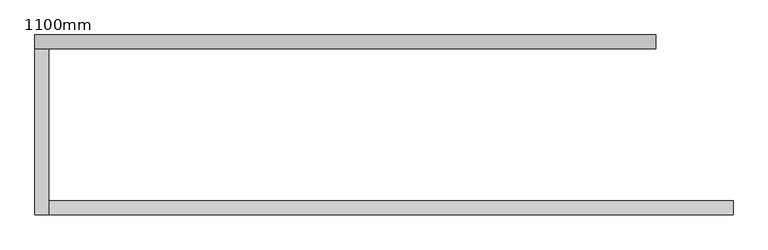
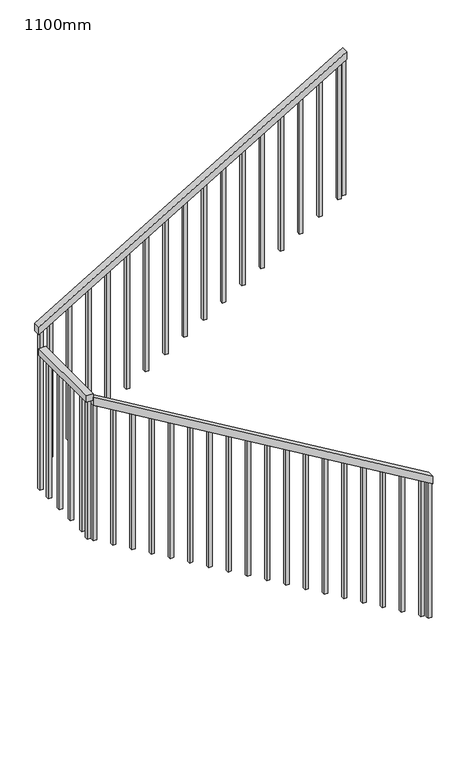
"""IFC4 building model written with IfcOpenShell, lengths in millimetres: railing geometry, 1100mm."""

from ifc_helpers import new_model, si_unit, frame, origin, place, context, project, spatial, polyline, outline, extrude, source, transform, mapped, element, save


def railing_1100mm_ea9eba7c(model_context):
    return source(origin(), model_context, "Body", "SweptSolid", [
        extrude(outline(polyline([(8208.4792885, 2457.6359883), (8266.6666667, 2457.6359883), (9736.9047619, -12.3640117), (9678.7173838, -12.3640117), (8208.4792885, 2457.6359883)])), frame((0.0, 32334.0312544, 0.0), z_axis=(0.0, 1.0, 0.0), x_axis=(0.0, 0.0, 1.0)), (0.0, 0.0, 1.0), 50.0),
        extrude(outline(polyline([(-12.3640117, 32334.0312544), (-62.3640117, 32334.0312544), (-62.3640117, 32932.429968), (-12.3640117, 32932.429968), (-12.3640117, 32334.0312544)])), frame((0.0, 0.0, 9716.6666667), z_axis=(0.0, 0.0, 1.0), x_axis=(1.0, 0.0, 0.0)), (0.0, 0.0, 1.0), 50.0),
        extrude(outline(polyline([(9933.3333333, -62.3640117), (9875.1459552, -62.3640117), (11208.4792885, 2177.6359883), (11266.6666667, 2177.6359883), (9933.3333333, -62.3640117)])), frame((0.0, 32932.429968, 0.0), z_axis=(0.0, 1.0, 0.0), x_axis=(0.0, 0.0, 1.0)), (0.0, 0.0, 1.0), 50.0),
        extrude(outline(polyline([(11174.253098, 2120.1359883), (10139.8809524, 2120.1359883), (10139.8809524, 2145.1359883), (11189.1340504, 2145.1359883), (11174.253098, 2120.1359883)])), frame((0.0, 32944.929968, 0.0), z_axis=(0.0, 1.0, 0.0), x_axis=(0.0, 0.0, 1.0)), (0.0, 0.0, 1.0), 25.0),
        extrude(outline(polyline([(11090.9197647, 1980.1359883), (10056.547619, 1980.1359883), (10056.547619, 2005.1359883), (11105.8007171, 2005.1359883), (11090.9197647, 1980.1359883)])), frame((0.0, 32944.929968, 0.0), z_axis=(0.0, 1.0, 0.0), x_axis=(0.0, 0.0, 1.0)), (0.0, 0.0, 1.0), 25.0),
        extrude(outline(polyline([(11007.5864314, 1840.1359883), (9973.2142857, 1840.1359883), (9973.2142857, 1865.1359883), (11022.4673838, 1865.1359883), (11007.5864314, 1840.1359883)])), frame((0.0, 32944.929968, 0.0), z_axis=(0.0, 1.0, 0.0), x_axis=(0.0, 0.0, 1.0)), (0.0, 0.0, 1.0), 25.0),
        extrude(outline(polyline([(10924.253098, 1700.1359883), (9889.8809524, 1700.1359883), (9889.8809524, 1725.1359883), (10939.1340504, 1725.1359883), (10924.253098, 1700.1359883)])), frame((0.0, 32944.929968, 0.0), z_axis=(0.0, 1.0, 0.0), x_axis=(0.0, 0.0, 1.0)), (0.0, 0.0, 1.0), 25.0),
        extrude(outline(polyline([(10840.9197647, 1560.1359883), (9806.547619, 1560.1359883), (9806.547619, 1585.1359883), (10855.8007171, 1585.1359883), (10840.9197647, 1560.1359883)])), frame((0.0, 32944.929968, 0.0), z_axis=(0.0, 1.0, 0.0), x_axis=(0.0, 0.0, 1.0)), (0.0, 0.0, 1.0), 25.0),
        extrude(outline(polyline([(10757.5864314, 1420.1359883), (9723.2142857, 1420.1359883), (9723.2142857, 1445.1359883), (10772.4673838, 1445.1359883), (10757.5864314, 1420.1359883)])), frame((0.0, 32944.929968, 0.0), z_axis=(0.0, 1.0, 0.0), x_axis=(0.0, 0.0, 1.0)), (0.0, 0.0, 1.0), 25.0),
        extrude(outline(polyline([(10674.253098, 1280.1359883), (9639.8809524, 1280.1359883), (9639.8809524, 1305.1359883), (10689.1340504, 1305.1359883), (10674.253098, 1280.1359883)])), frame((0.0, 32944.929968, 0.0), z_axis=(0.0, 1.0, 0.0), x_axis=(0.0, 0.0, 1.0)), (0.0, 0.0, 1.0), 25.0),
        extrude(outline(polyline([(10590.9197647, 1140.1359883), (9556.547619, 1140.1359883), (9556.547619, 1165.1359883), (10605.8007171, 1165.1359883), (10590.9197647, 1140.1359883)])), frame((0.0, 32944.929968, 0.0), z_axis=(0.0, 1.0, 0.0), x_axis=(0.0, 0.0, 1.0)), (0.0, 0.0, 1.0), 25.0),
        extrude(outline(polyline([(10507.5864314, 1000.1359883), (9473.2142857, 1000.1359883), (9473.2142857, 1025.1359883), (10522.4673838, 1025.1359883), (10507.5864314, 1000.1359883)])), frame((0.0, 32944.929968, 0.0), z_axis=(0.0, 1.0, 0.0), x_axis=(0.0, 0.0, 1.0)), (0.0, 0.0, 1.0), 25.0),
        extrude(outline(polyline([(10424.253098, 860.1359883), (9389.8809524, 860.1359883), (9389.8809524, 885.1359883), (10439.1340504, 885.1359883), (10424.253098, 860.1359883)])), frame((0.0, 32944.929968, 0.0), z_axis=(0.0, 1.0, 0.0), x_axis=(0.0, 0.0, 1.0)), (0.0, 0.0, 1.0), 25.0),
        extrude(outline(polyline([(10340.9197647, 720.1359883), (9306.547619, 720.1359883), (9306.547619, 745.1359883), (10355.8007171, 745.1359883), (10340.9197647, 720.1359883)])), frame((0.0, 32944.929968, 0.0), z_axis=(0.0, 1.0, 0.0), x_axis=(0.0, 0.0, 1.0)), (0.0, 0.0, 1.0), 25.0),
        extrude(outline(polyline([(10257.5864314, 580.1359883), (9223.2142857, 580.1359883), (9223.2142857, 605.1359883), (10272.4673838, 605.1359883), (10257.5864314, 580.1359883)])), frame((0.0, 32944.929968, 0.0), z_axis=(0.0, 1.0, 0.0), x_axis=(0.0, 0.0, 1.0)), (0.0, 0.0, 1.0), 25.0),
        extrude(outline(polyline([(10174.253098, 440.1359883), (9139.8809524, 440.1359883), (9139.8809524, 465.1359883), (10189.1340504, 465.1359883), (10174.253098, 440.1359883)])), frame((0.0, 32944.929968, 0.0), z_axis=(0.0, 1.0, 0.0), x_axis=(0.0, 0.0, 1.0)), (0.0, 0.0, 1.0), 25.0),
        extrude(outline(polyline([(10090.9197647, 300.1359883), (9056.547619, 300.1359883), (9056.547619, 325.1359883), (10105.8007171, 325.1359883), (10090.9197647, 300.1359883)])), frame((0.0, 32944.929968, 0.0), z_axis=(0.0, 1.0, 0.0), x_axis=(0.0, 0.0, 1.0)), (0.0, 0.0, 1.0), 25.0),
        extrude(outline(polyline([(10007.5864314, 160.1359883), (8973.2142857, 160.1359883), (8973.2142857, 185.1359883), (10022.4673838, 185.1359883), (10007.5864314, 160.1359883)])), frame((0.0, 32944.929968, 0.0), z_axis=(0.0, 1.0, 0.0), x_axis=(0.0, 0.0, 1.0)), (0.0, 0.0, 1.0), 25.0),
        extrude(outline(polyline([(9924.253098, 20.1359883), (8889.8809524, 20.1359883), (8889.8809524, 45.1359883), (9939.1340504, 45.1359883), (9924.253098, 20.1359883)])), frame((0.0, 32944.929968, 0.0), z_axis=(0.0, 1.0, 0.0), x_axis=(0.0, 0.0, 1.0)), (0.0, 0.0, 1.0), 25.0),
        extrude(outline(polyline([(-24.8640117, 32836.5312544), (-49.8640117, 32836.5312544), (-49.8640117, 32861.5312544), (-24.8640117, 32861.5312544), (-24.8640117, 32836.5312544)])), frame((0.0, 0.0, 8666.6666667), z_axis=(0.0, 0.0, 1.0), x_axis=(1.0, 0.0, 0.0)), (0.0, 0.0, 1.0), 1050.0),
        extrude(outline(polyline([(-24.8640117, 32696.5312544), (-49.8640117, 32696.5312544), (-49.8640117, 32721.5312544), (-24.8640117, 32721.5312544), (-24.8640117, 32696.5312544)])), frame((0.0, 0.0, 8666.6666667), z_axis=(0.0, 0.0, 1.0), x_axis=(1.0, 0.0, 0.0)), (0.0, 0.0, 1.0), 1050.0),
        extrude(outline(polyline([(-24.8640117, 32556.5312544), (-49.8640117, 32556.5312544), (-49.8640117, 32581.5312544), (-24.8640117, 32581.5312544), (-24.8640117, 32556.5312544)])), frame((0.0, 0.0, 8666.6666667), z_axis=(0.0, 0.0, 1.0), x_axis=(1.0, 0.0, 0.0)), (0.0, 0.0, 1.0), 1050.0),
        extrude(outline(polyline([(-24.8640117, 32416.5312544), (-49.8640117, 32416.5312544), (-49.8640117, 32441.5312544), (-24.8640117, 32441.5312544), (-24.8640117, 32416.5312544)])), frame((0.0, 0.0, 8666.6666667), z_axis=(0.0, 0.0, 1.0), x_axis=(1.0, 0.0, 0.0)), (0.0, 0.0, 1.0), 1050.0),
        extrude(outline(polyline([(8625.0, 20.1359883), (9659.3721457, 20.1359883), (9674.253098, -4.8640117), (8625.0, -4.8640117), (8625.0, 20.1359883)])), frame((0.0, 32346.5312544, 0.0), z_axis=(0.0, 1.0, 0.0), x_axis=(0.0, 0.0, 1.0)), (0.0, 0.0, 1.0), 25.0),
        extrude(outline(polyline([(8541.6666667, 160.1359883), (9576.0388123, 160.1359883), (9590.9197647, 135.1359883), (8541.6666667, 135.1359883), (8541.6666667, 160.1359883)])), frame((0.0, 32346.5312544, 0.0), z_axis=(0.0, 1.0, 0.0), x_axis=(0.0, 0.0, 1.0)), (0.0, 0.0, 1.0), 25.0),
        extrude(outline(polyline([(8458.3333333, 300.1359883), (9492.705479, 300.1359883), (9507.5864314, 275.1359883), (8458.3333333, 275.1359883), (8458.3333333, 300.1359883)])), frame((0.0, 32346.5312544, 0.0), z_axis=(0.0, 1.0, 0.0), x_axis=(0.0, 0.0, 1.0)), (0.0, 0.0, 1.0), 25.0),
        extrude(outline(polyline([(8375.0, 440.1359883), (9409.3721457, 440.1359883), (9424.253098, 415.1359883), (8375.0, 415.1359883), (8375.0, 440.1359883)])), frame((0.0, 32346.5312544, 0.0), z_axis=(0.0, 1.0, 0.0), x_axis=(0.0, 0.0, 1.0)), (0.0, 0.0, 1.0), 25.0),
        extrude(outline(polyline([(8291.6666667, 580.1359883), (9326.0388123, 580.1359883), (9340.9197647, 555.1359883), (8291.6666667, 555.1359883), (8291.6666667, 580.1359883)])), frame((0.0, 32346.5312544, 0.0), z_axis=(0.0, 1.0, 0.0), x_axis=(0.0, 0.0, 1.0)), (0.0, 0.0, 1.0), 25.0),
        extrude(outline(polyline([(8208.3333333, 720.1359883), (9242.705479, 720.1359883), (9257.5864314, 695.1359883), (8208.3333333, 695.1359883), (8208.3333333, 720.1359883)])), frame((0.0, 32346.5312544, 0.0), z_axis=(0.0, 1.0, 0.0), x_axis=(0.0, 0.0, 1.0)), (0.0, 0.0, 1.0), 25.0),
        extrude(outline(polyline([(8125.0, 860.1359883), (9159.3721457, 860.1359883), (9174.253098, 835.1359883), (8125.0, 835.1359883), (8125.0, 860.1359883)])), frame((0.0, 32346.5312544, 0.0), z_axis=(0.0, 1.0, 0.0), x_axis=(0.0, 0.0, 1.0)), (0.0, 0.0, 1.0), 25.0),
        extrude(outline(polyline([(8041.6666667, 1000.1359883), (9076.0388123, 1000.1359883), (9090.9197647, 975.1359883), (8041.6666667, 975.1359883), (8041.6666667, 1000.1359883)])), frame((0.0, 32346.5312544, 0.0), z_axis=(0.0, 1.0, 0.0), x_axis=(0.0, 0.0, 1.0)), (0.0, 0.0, 1.0), 25.0),
        extrude(outline(polyline([(7958.3333333, 1140.1359883), (8992.705479, 1140.1359883), (9007.5864314, 1115.1359883), (7958.3333333, 1115.1359883), (7958.3333333, 1140.1359883)])), frame((0.0, 32346.5312544, 0.0), z_axis=(0.0, 1.0, 0.0), x_axis=(0.0, 0.0, 1.0)), (0.0, 0.0, 1.0), 25.0),
        extrude(outline(polyline([(7875.0, 1280.1359883), (8909.3721457, 1280.1359883), (8924.253098, 1255.1359883), (7875.0, 1255.1359883), (7875.0, 1280.1359883)])), frame((0.0, 32346.5312544, 0.0), z_axis=(0.0, 1.0, 0.0), x_axis=(0.0, 0.0, 1.0)), (0.0, 0.0, 1.0), 25.0),
        extrude(outline(polyline([(7791.6666667, 1420.1359883), (8826.0388123, 1420.1359883), (8840.9197647, 1395.1359883), (7791.6666667, 1395.1359883), (7791.6666667, 1420.1359883)])), frame((0.0, 32346.5312544, 0.0), z_axis=(0.0, 1.0, 0.0), x_axis=(0.0, 0.0, 1.0)), (0.0, 0.0, 1.0), 25.0),
        extrude(outline(polyline([(7708.3333333, 1560.1359883), (8742.705479, 1560.1359883), (8757.5864314, 1535.1359883), (7708.3333333, 1535.1359883), (7708.3333333, 1560.1359883)])), frame((0.0, 32346.5312544, 0.0), z_axis=(0.0, 1.0, 0.0), x_axis=(0.0, 0.0, 1.0)), (0.0, 0.0, 1.0), 25.0),
        extrude(outline(polyline([(7625.0, 1700.1359883), (8659.3721457, 1700.1359883), (8674.253098, 1675.1359883), (7625.0, 1675.1359883), (7625.0, 1700.1359883)])), frame((0.0, 32346.5312544, 0.0), z_axis=(0.0, 1.0, 0.0), x_axis=(0.0, 0.0, 1.0)), (0.0, 0.0, 1.0), 25.0),
        extrude(outline(polyline([(7541.6666667, 1840.1359883), (8576.0388123, 1840.1359883), (8590.9197647, 1815.1359883), (7541.6666667, 1815.1359883), (7541.6666667, 1840.1359883)])), frame((0.0, 32346.5312544, 0.0), z_axis=(0.0, 1.0, 0.0), x_axis=(0.0, 0.0, 1.0)), (0.0, 0.0, 1.0), 25.0),
        extrude(outline(polyline([(7458.3333333, 1980.1359883), (8492.705479, 1980.1359883), (8507.5864314, 1955.1359883), (7458.3333333, 1955.1359883), (7458.3333333, 1980.1359883)])), frame((0.0, 32346.5312544, 0.0), z_axis=(0.0, 1.0, 0.0), x_axis=(0.0, 0.0, 1.0)), (0.0, 0.0, 1.0), 25.0),
        extrude(outline(polyline([(7375.0, 2120.1359883), (8409.3721457, 2120.1359883), (8424.253098, 2095.1359883), (7375.0, 2095.1359883), (7375.0, 2120.1359883)])), frame((0.0, 32346.5312544, 0.0), z_axis=(0.0, 1.0, 0.0), x_axis=(0.0, 0.0, 1.0)), (0.0, 0.0, 1.0), 25.0),
        extrude(outline(polyline([(7291.6666667, 2260.1359883), (8326.0388123, 2260.1359883), (8340.9197647, 2235.1359883), (7291.6666667, 2235.1359883), (7291.6666667, 2260.1359883)])), frame((0.0, 32346.5312544, 0.0), z_axis=(0.0, 1.0, 0.0), x_axis=(0.0, 0.0, 1.0)), (0.0, 0.0, 1.0), 25.0),
        extrude(outline(polyline([(7208.3333333, 2400.1359883), (8242.705479, 2400.1359883), (8257.5864314, 2375.1359883), (7208.3333333, 2375.1359883), (7208.3333333, 2400.1359883)])), frame((0.0, 32346.5312544, 0.0), z_axis=(0.0, 1.0, 0.0), x_axis=(0.0, 0.0, 1.0)), (0.0, 0.0, 1.0), 25.0),
        extrude(outline(polyline([(9882.5864314, -49.8640117), (8666.6666667, -49.8640117), (8666.6666667, -24.8640117), (9897.4673838, -24.8640117), (9882.5864314, -49.8640117)])), frame((0.0, 32944.929968, 0.0), z_axis=(0.0, 1.0, 0.0), x_axis=(0.0, 0.0, 1.0)), (0.0, 0.0, 1.0), 25.0),
        extrude(outline(polyline([(-24.8640117, 32346.5312544), (-49.8640117, 32346.5312544), (-49.8640117, 32371.5312544), (-24.8640117, 32371.5312544), (-24.8640117, 32346.5312544)])), frame((0.0, 0.0, 8651.7857143), z_axis=(0.0, 0.0, 1.0), x_axis=(1.0, 0.0, 0.0)), (0.0, 0.0, 1.0), 1064.8809524),
        extrude(outline(polyline([(11193.5983361, 2152.6359883), (10159.2261905, 2152.6359883), (10159.2261905, 2177.6359883), (11208.4792885, 2177.6359883), (11193.5983361, 2152.6359883)])), frame((0.0, 32944.929968, 0.0), z_axis=(0.0, 1.0, 0.0), x_axis=(0.0, 0.0, 1.0)), (0.0, 0.0, 1.0), 25.0),
        extrude(outline(polyline([(7174.1071429, 2457.6359883), (8208.4792885, 2457.6359883), (8223.3602409, 2432.6359883), (7174.1071429, 2432.6359883), (7174.1071429, 2457.6359883)])), frame((0.0, 32346.5312544, 0.0), z_axis=(0.0, 1.0, 0.0), x_axis=(0.0, 0.0, 1.0)), (0.0, 0.0, 1.0), 25.0),
    ])


if __name__ == "__main__":
    model = new_model("IFC4")
    model_context = context("Model", 3, world=origin())
    ifc_project = project(units=[si_unit("LENGTHUNIT", "METRE", prefix="MILLI")], contexts=[model_context])
    site = spatial("IfcSite", under=ifc_project)
    building = spatial("IfcBuilding", under=site)
    placement = place(None, origin())
    railing_1100mm_shape = railing_1100mm_ea9eba7c(model_context)
    element("IfcRailing", 1, ObjectType="1100mm", at=placement, inside=building, context=model_context, shape_type="MappedRepresentation", body=[
        mapped(railing_1100mm_shape, transform((0.0, 0.0, 0.0), x_axis=(1.0, 0.0, 0.0), y_axis=(0.0, 1.0, 0.0), z_axis=(0.0, 0.0, 1.0))),
    ])
    save(model, "model.ifc")
